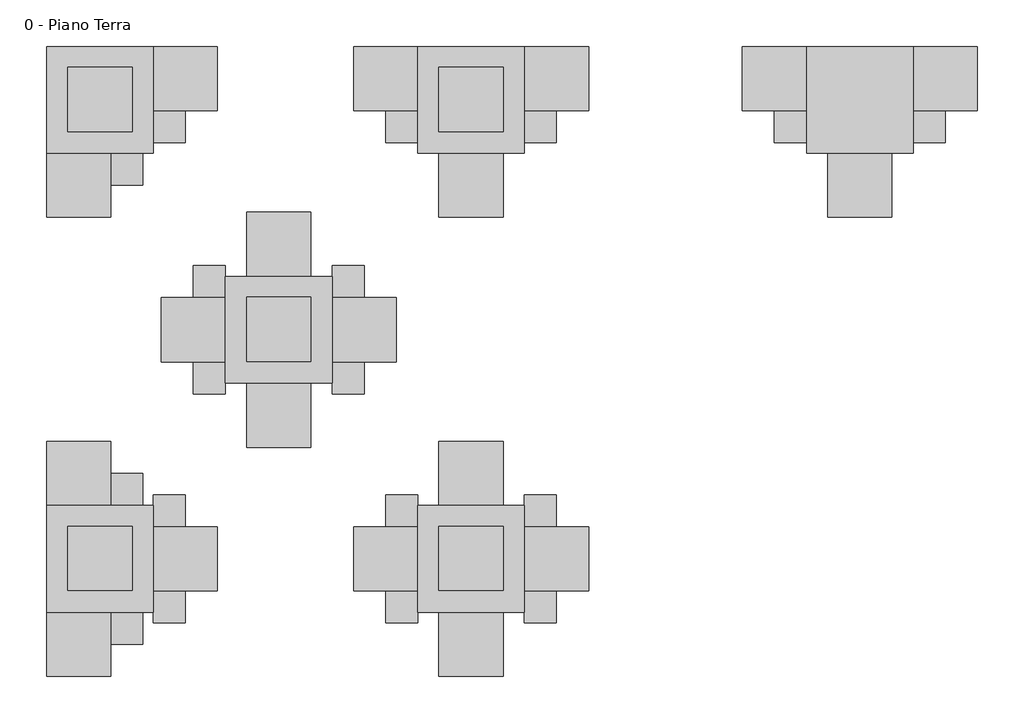
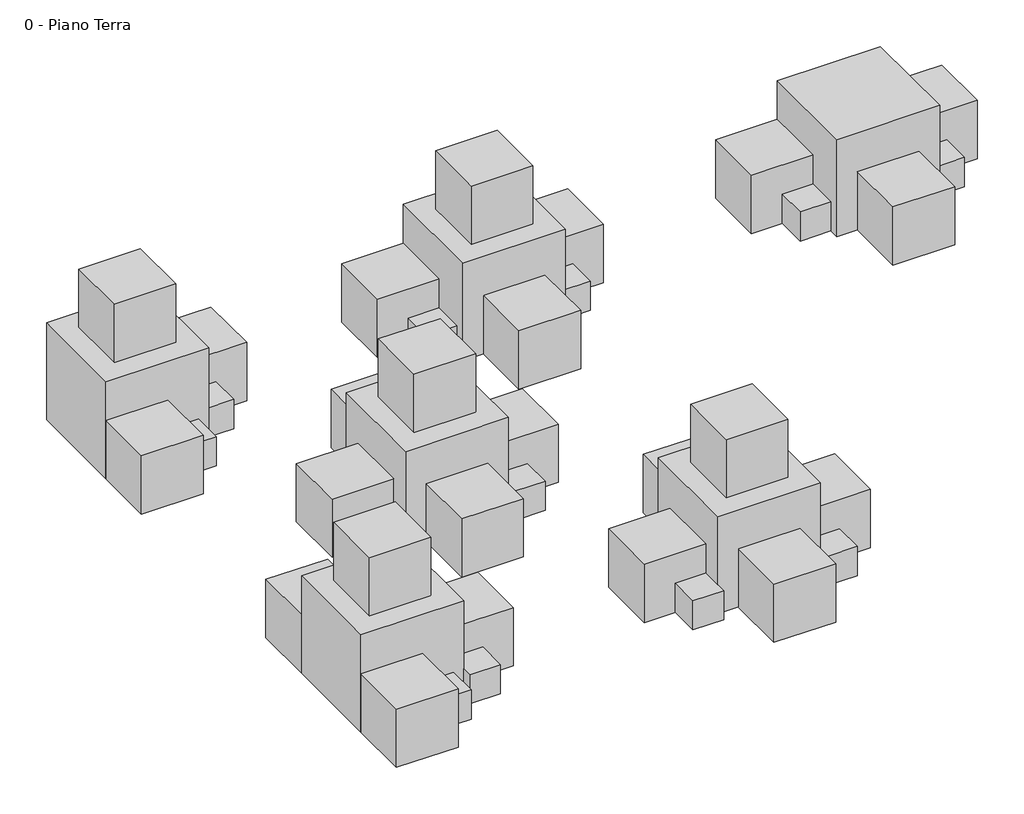
# One storey: 48 proxies.
"""IFC4 building model written with IfcOpenShell, lengths in millimetres."""

import ifcopenshell
import ifcopenshell.guid

model = None  # the IFC model being written
_history = None  # IfcOwnerHistory: only IFC2X3 demands one
_inside = {}  # id of a spatial element -> (the spatial element, [elements in it])
_under = {}  # id of a project, library or spatial element -> (it, [spatial elements below it])
_declared = {}  # id of a project -> (the project, [libraries it declares])
_typed = {}  # id of a type object -> (the type object, [elements of that type])
_made_of = {}  # id of a material, layer set ... -> (it, [elements and type objects made of it])


def new_model(schema):
    """Start an empty IFC model of exactly this schema.

    Asked for "IFC4X3", IfcOpenShell would pick the latest addendum, in which some entities
    have other attributes; the version numbers below select the first issue.
    IFC2X3 requires an IfcOwnerHistory on every rooted entity: one is made here for all.
    """
    global model, _history
    if schema == "IFC4X3":
        model = ifcopenshell.file(schema_version=(4, 3, 0, 0))
    else:
        model = ifcopenshell.file(schema=schema)
    _inside.clear()
    _under.clear()
    _declared.clear()
    _typed.clear()
    _made_of.clear()
    _history = None
    if model.schema == "IFC2X3":
        org = make("IfcOrganization", Name="unknown")
        user = make(
            "IfcPersonAndOrganization",
            ThePerson=make("IfcPerson", FamilyName="unknown"),
            TheOrganization=org,
        )
        app = make(
            "IfcApplication",
            ApplicationDeveloper=org,
            Version="unknown",
            ApplicationFullName="unknown",
            ApplicationIdentifier="unknown",
        )
        _history = make(
            "IfcOwnerHistory",
            OwningUser=user,
            OwningApplication=app,
            ChangeAction="ADDED",
            CreationDate=0,
        )
    return model


def make(cls, **values):
    """One entity of the class cls with the attributes given. An attribute that is None is left unset."""
    return model.create_entity(
        cls, **{name: value for name, value in values.items() if value is not None}
    )


def rooted(cls, **values):
    """An entity with a GlobalId (a new one), such as an element, a storey or a relation."""
    return make(cls, GlobalId=ifcopenshell.guid.new(), OwnerHistory=_history, **values)


def si_unit(unit_type, name, prefix=None):
    """IfcSIUnit, for example si_unit("LENGTHUNIT", "METRE", prefix="MILLI")."""
    return make("IfcSIUnit", UnitType=unit_type, Prefix=prefix, Name=name)


def assignment(units):
    """IfcUnitAssignment: the units of a project."""
    return None if units is None else make("IfcUnitAssignment", Units=units)


def point(xyz):
    """IfcCartesianPoint."""
    return None if xyz is None else make("IfcCartesianPoint", Coordinates=xyz)


def direction(xyz):
    """IfcDirection."""
    return None if xyz is None else make("IfcDirection", DirectionRatios=xyz)


def frame(location, z_axis=None, x_axis=None):
    """IfcAxis2Placement3D, a coordinate frame: its origin and axes. An axis left out is left unset."""
    return make(
        "IfcAxis2Placement3D",
        Location=point(location),
        Axis=direction(z_axis),
        RefDirection=direction(x_axis),
    )


def origin():
    """The frame at (0, 0, 0) with its axes left unset."""
    return frame((0.0, 0.0, 0.0))


def origin_with_axes():
    """The frame at (0, 0, 0) with the z axis (0, 0, 1) and the x axis (1, 0, 0) written out."""
    return frame((0.0, 0.0, 0.0), z_axis=(0.0, 0.0, 1.0), x_axis=(1.0, 0.0, 0.0))


def place(relative_to, where):
    """IfcLocalPlacement: puts the frame where relative to a parent placement (None: the world)."""
    return make(
        "IfcLocalPlacement", PlacementRelTo=relative_to, RelativePlacement=where
    )


def context(
    kind, dimensions, precision=None, world=None, true_north=None, identifier=None
):
    """IfcGeometricRepresentationContext, for example the 3D "Model" context."""
    return make(
        "IfcGeometricRepresentationContext",
        ContextIdentifier=identifier,
        ContextType=kind,
        CoordinateSpaceDimension=dimensions,
        Precision=precision,
        WorldCoordinateSystem=world,
        TrueNorth=true_north,
    )


def project(units=None, contexts=None):
    """IfcProject with its units and contexts."""
    return rooted(
        "IfcProject",
        Name="project",
        RepresentationContexts=contexts,
        UnitsInContext=assignment(units),
    )


def spatial(cls, under=None, at=None, **own):
    """A site, building, storey or space (cls), placed at a placement, below another one or the project."""
    s = rooted(cls, ObjectPlacement=at, **own)
    if under is not None:
        _under.setdefault(under.id(), (under, []))[1].append(s)
    return s


def polyline(points):
    """IfcPolyline through the points."""
    return make("IfcPolyline", Points=[point(p) for p in points])


def outline(outer, holes=None, kind="AREA"):
    """IfcArbitraryClosedProfileDef: a profile drawn as a closed curve; with holes, ...WithVoids."""
    if holes is None:
        return make("IfcArbitraryClosedProfileDef", ProfileType=kind, OuterCurve=outer)
    return make(
        "IfcArbitraryProfileDefWithVoids",
        ProfileType=kind,
        OuterCurve=outer,
        InnerCurves=holes,
    )


def extrude(swept, where, along, depth):
    """IfcExtrudedAreaSolid: the profile swept, set in the frame where, extruded along a direction by depth."""
    return make(
        "IfcExtrudedAreaSolid",
        SweptArea=swept,
        Position=where,
        ExtrudedDirection=direction(along),
        Depth=depth,
    )


def shape(context_of_items, identifier, shape_type, items):
    """IfcShapeRepresentation: the items that make up one representation, for example the "Body"."""
    return make(
        "IfcShapeRepresentation",
        ContextOfItems=context_of_items,
        RepresentationIdentifier=identifier,
        RepresentationType=shape_type,
        Items=items,
    )


def source(mapping_origin, context_of_items, identifier, shape_type, items):
    """IfcRepresentationMap: a shape defined once, which mapped items show again and again."""
    return make(
        "IfcRepresentationMap",
        MappingOrigin=mapping_origin,
        MappedRepresentation=shape(context_of_items, identifier, shape_type, items),
    )


def transform(
    local_origin,
    x_axis=None,
    y_axis=None,
    z_axis=None,
    scale=None,
    scale2=None,
    scale3=None,
    uniform=True,
):
    """IfcCartesianTransformationOperator3D, or its non-uniform kind. x_axis, y_axis, z_axis: its Axis1, 2, 3."""
    if uniform:
        return make(
            "IfcCartesianTransformationOperator3D",
            Axis1=direction(x_axis),
            Axis2=direction(y_axis),
            LocalOrigin=point(local_origin),
            Scale=scale,
            Axis3=direction(z_axis),
        )
    return make(
        "IfcCartesianTransformationOperator3DnonUniform",
        Axis1=direction(x_axis),
        Axis2=direction(y_axis),
        LocalOrigin=point(local_origin),
        Scale=scale,
        Axis3=direction(z_axis),
        Scale2=scale2,
        Scale3=scale3,
    )


def mapped(mapping_source, mapping_target):
    """IfcMappedItem: shows the shape of a source again, moved by a transform."""
    return make(
        "IfcMappedItem", MappingSource=mapping_source, MappingTarget=mapping_target
    )


def made_of(thing, what):
    """Note that an element or type object is made of a material, layer set ...; save() writes the relation."""
    if what is not None:
        _made_of.setdefault(what.id(), (what, []))[1].append(thing)
    return thing


def element(
    cls,
    number,
    at=None,
    inside=None,
    cuts=None,
    type_object=None,
    material=None,
    context=None,
    identifier="Body",
    shape_type=None,
    held_by="IfcProductDefinitionShape",
    body=None,
    shapes=None,
    **own,
):
    """One element of the class cls, such as IfcWall. Its Tag is "e" and its number.

    at: its placement. inside: the storey or other place that contains it. cuts: it is an
    opening in that element (IfcRelVoidsElement). A single representation is given by context,
    identifier, shape_type and body (its items); several are given by shapes. held_by: the class
    of the entity that holds the representations. save() writes the other relations.
    """
    e = rooted(cls, Tag="e%d" % number, ObjectPlacement=at, **own)
    if body is not None:
        shapes = [shape(context, identifier, shape_type, body)]
    if shapes is not None:
        e.Representation = make(held_by, Representations=shapes)
    if inside is not None:
        _inside.setdefault(inside.id(), (inside, []))[1].append(e)
    if cuts is not None:
        rooted(
            "IfcRelVoidsElement", RelatingBuildingElement=cuts, RelatedOpeningElement=e
        )
    if type_object is not None:
        _typed.setdefault(type_object.id(), (type_object, []))[1].append(e)
    return made_of(e, material)


def aggregate(whole, parts):
    """IfcRelAggregates: a whole, such as a stair, and the parts it consists of."""
    return rooted("IfcRelAggregates", RelatingObject=whole, RelatedObjects=parts)


def save(model, path):
    """Write the relations noted so far, then the file.

    IfcRelAggregates (storeys below a building ...), IfcRelContainedInSpatialStructure (elements
    in a storey), IfcRelDefinesByType, IfcRelAssociatesMaterial and IfcRelDeclares: one each for
    every whole, place, type object, material and project.
    """
    for whole, parts in _under.values():
        aggregate(whole, parts)
    for where, things in _inside.values():
        rooted(
            "IfcRelContainedInSpatialStructure",
            RelatedElements=things,
            RelatingStructure=where,
        )
    for kind, things in _typed.values():
        rooted("IfcRelDefinesByType", RelatedObjects=things, RelatingType=kind)
    for what, things in _made_of.values():
        rooted("IfcRelAssociatesMaterial", RelatedObjects=things, RelatingMaterial=what)
    for by, libraries in _declared.values():
        rooted("IfcRelDeclares", RelatingContext=by, RelatedDefinitions=libraries)
    model.write(path)


def famiglia1_15_x_15_x15_9c98a160(model_context):
    return source(origin(), model_context, "Body", "SweptSolid", [
        extrude(outline(polyline([(0.0, 0.0), (0.0, 150.0), (150.0, 150.0), (150.0, 0.0), (0.0, 0.0)])), origin_with_axes(), (0.0, 0.0, 1.0), 150.0),
    ])


def famiglia1_15_x_15_x15_7b146f4c(model_context):
    return source(origin(), model_context, "Body", "SweptSolid", [
        extrude(outline(polyline([(0.0, 0.0), (150.0, 0.0), (150.0, -150.0), (0.0, -150.0), (0.0, 0.0)])), origin_with_axes(), (0.0, 0.0, 1.0), 150.0),
    ])


def famiglia1_30_x_30_x_30_e4b0ac10(model_context):
    return source(origin(), model_context, "Body", "SweptSolid", [
        extrude(outline(polyline([(0.0, 0.0), (0.0, 300.0), (300.0, 300.0), (300.0, 0.0), (0.0, 0.0)])), origin_with_axes(), (0.0, 0.0, 1.0), 300.0),
    ])


def famiglia1_30_x_30_x_30_e7704c1c(model_context):
    return source(origin(), model_context, "Body", "SweptSolid", [
        extrude(outline(polyline([(0.0, 0.0), (300.0, 0.0), (300.0, -300.0), (0.0, -300.0), (0.0, 0.0)])), origin_with_axes(), (0.0, 0.0, 1.0), 300.0),
    ])


def famiglia1_50_x_50_x_50_550e6623(model_context):
    return source(origin(), model_context, "Body", "SweptSolid", [
        extrude(outline(polyline([(0.0, 0.0), (0.0, 500.0), (500.0, 500.0), (500.0, 0.0), (0.0, 0.0)])), origin_with_axes(), (0.0, 0.0, 1.0), 500.0),
    ])


model = new_model("IFC4")

# Units and contexts
model_context = context("Model", 3, world=origin())
ifc_project = project(units=[si_unit("LENGTHUNIT", "METRE", prefix="MILLI")], contexts=[model_context])

# Site, building, storey
site = spatial("IfcSite", under=ifc_project)
building = spatial("IfcBuilding", under=site)
storey = spatial("IfcBuildingStorey", under=building, Name="0 - Piano Terra", Elevation=0.0)

# Proxies
placement = place(None, origin())
famiglia1_15_x_15_x15_shape = famiglia1_15_x_15_x15_9c98a160(model_context)
element("IfcBuildingElementProxy", 1, Name="Famiglia1 : 15 x 15 x15", ObjectType="Famiglia1 : 15 x 15 x15", at=placement, inside=storey, context=model_context, shape_type="MappedRepresentation", body=[
    mapped(famiglia1_15_x_15_x15_shape, transform((-12285.7674934, 5385.0288384, 0.0), x_axis=(1.0, 0.0, 0.0), y_axis=(0.0, 1.0, 0.0), z_axis=(0.0, 0.0, 1.0))),
])
element("IfcBuildingElementProxy", 2, Name="Famiglia1 : 15 x 15 x15", ObjectType="Famiglia1 : 15 x 15 x15", at=placement, inside=storey, context=model_context, shape_type="MappedRepresentation", body=[
    mapped(famiglia1_15_x_15_x15_shape, transform((-10999.193659, 5735.0288384, 0.0), x_axis=(0.0, -1.0, 0.0), y_axis=(1.0, 0.0, 0.0), z_axis=(0.0, 0.0, 1.0))),
])
element("IfcBuildingElementProxy", 3, Name="Famiglia1 : 15 x 15 x15", ObjectType="Famiglia1 : 15 x 15 x15", at=placement, inside=storey, context=model_context, shape_type="MappedRepresentation", body=[
    mapped(famiglia1_15_x_15_x15_shape, transform((-9179.0926711, 5735.0288384, 0.0), x_axis=(0.0, -1.0, 0.0), y_axis=(1.0, 0.0, 0.0), z_axis=(0.0, 0.0, 1.0))),
])
element("IfcBuildingElementProxy", 4, Name="Famiglia1 : 15 x 15 x15", ObjectType="Famiglia1 : 15 x 15 x15", at=placement, inside=storey, context=model_context, shape_type="MappedRepresentation", body=[
    mapped(famiglia1_15_x_15_x15_shape, transform((-10999.193659, 3486.0022277, 0.0), x_axis=(0.0, -1.0, 0.0), y_axis=(1.0, 0.0, 0.0), z_axis=(0.0, 0.0, 1.0))),
])
element("IfcBuildingElementProxy", 5, Name="Famiglia1 : 15 x 15 x15", ObjectType="Famiglia1 : 15 x 15 x15", at=placement, inside=storey, context=model_context, shape_type="MappedRepresentation", body=[
    mapped(famiglia1_15_x_15_x15_shape, transform((-10999.193659, 3936.0022277, 0.0), x_axis=(0.0, -1.0, 0.0), y_axis=(1.0, 0.0, 0.0), z_axis=(0.0, 0.0, 1.0))),
])
element("IfcBuildingElementProxy", 6, Name="Famiglia1 : 15 x 15 x15", ObjectType="Famiglia1 : 15 x 15 x15", at=placement, inside=storey, context=model_context, shape_type="MappedRepresentation", body=[
    mapped(famiglia1_15_x_15_x15_shape, transform((-12285.7674934, 3236.0022277, 0.0), x_axis=(1.0, 0.0, 0.0), y_axis=(0.0, 1.0, 0.0), z_axis=(0.0, 0.0, 1.0))),
])
element("IfcBuildingElementProxy", 7, Name="Famiglia1 : 15 x 15 x15", ObjectType="Famiglia1 : 15 x 15 x15", at=placement, inside=storey, context=model_context, shape_type="MappedRepresentation", body=[
    mapped(famiglia1_15_x_15_x15_shape, transform((-11899.0963125, 4558.4644481, 0.0), x_axis=(0.0, -1.0, 0.0), y_axis=(1.0, 0.0, 0.0), z_axis=(0.0, 0.0, 1.0))),
])
element("IfcBuildingElementProxy", 8, Name="Famiglia1 : 15 x 15 x15", ObjectType="Famiglia1 : 15 x 15 x15", at=placement, inside=storey, context=model_context, shape_type="MappedRepresentation", body=[
    mapped(famiglia1_15_x_15_x15_shape, transform((-11899.0963125, 5008.4644481, 0.0), x_axis=(0.0, -1.0, 0.0), y_axis=(1.0, 0.0, 0.0), z_axis=(0.0, 0.0, 1.0))),
])
famiglia1_15_x_15_x15_2_shape = famiglia1_15_x_15_x15_7b146f4c(model_context)
element("IfcBuildingElementProxy", 9, Name="Famiglia1 : 15 x 15 x15", ObjectType="Famiglia1 : 15 x 15 x15", at=placement, inside=storey, context=model_context, shape_type="MappedRepresentation", body=[
    mapped(famiglia1_15_x_15_x15_2_shape, transform((-11935.7674934, 5735.0288384, 0.0), x_axis=(0.0, -1.0, 0.0), y_axis=(1.0, 0.0, 0.0), z_axis=(0.0, 0.0, 1.0))),
])
element("IfcBuildingElementProxy", 10, Name="Famiglia1 : 15 x 15 x15", ObjectType="Famiglia1 : 15 x 15 x15", at=placement, inside=storey, context=model_context, shape_type="MappedRepresentation", body=[
    mapped(famiglia1_15_x_15_x15_2_shape, transform((-10199.193659, 5735.0288384, 0.0), x_axis=(0.0, -1.0, 0.0), y_axis=(1.0, 0.0, 0.0), z_axis=(0.0, 0.0, 1.0))),
])
element("IfcBuildingElementProxy", 11, Name="Famiglia1 : 15 x 15 x15", ObjectType="Famiglia1 : 15 x 15 x15", at=placement, inside=storey, context=model_context, shape_type="MappedRepresentation", body=[
    mapped(famiglia1_15_x_15_x15_2_shape, transform((-8379.0926711, 5735.0288384, 0.0), x_axis=(0.0, -1.0, 0.0), y_axis=(1.0, 0.0, 0.0), z_axis=(0.0, 0.0, 1.0))),
])
element("IfcBuildingElementProxy", 12, Name="Famiglia1 : 15 x 15 x15", ObjectType="Famiglia1 : 15 x 15 x15", at=placement, inside=storey, context=model_context, shape_type="MappedRepresentation", body=[
    mapped(famiglia1_15_x_15_x15_2_shape, transform((-10199.193659, 3486.0022277, 0.0), x_axis=(0.0, -1.0, 0.0), y_axis=(1.0, 0.0, 0.0), z_axis=(0.0, 0.0, 1.0))),
])
element("IfcBuildingElementProxy", 13, Name="Famiglia1 : 15 x 15 x15", ObjectType="Famiglia1 : 15 x 15 x15", at=placement, inside=storey, context=model_context, shape_type="MappedRepresentation", body=[
    mapped(famiglia1_15_x_15_x15_2_shape, transform((-10199.193659, 3936.0022277, 0.0), x_axis=(0.0, -1.0, 0.0), y_axis=(1.0, 0.0, 0.0), z_axis=(0.0, 0.0, 1.0))),
])
element("IfcBuildingElementProxy", 14, Name="Famiglia1 : 15 x 15 x15", ObjectType="Famiglia1 : 15 x 15 x15", at=placement, inside=storey, context=model_context, shape_type="MappedRepresentation", body=[
    mapped(famiglia1_15_x_15_x15_2_shape, transform((-11935.7674934, 3486.0022277, 0.0), x_axis=(0.0, -1.0, 0.0), y_axis=(1.0, 0.0, 0.0), z_axis=(0.0, 0.0, 1.0))),
])
element("IfcBuildingElementProxy", 15, Name="Famiglia1 : 15 x 15 x15", ObjectType="Famiglia1 : 15 x 15 x15", at=placement, inside=storey, context=model_context, shape_type="MappedRepresentation", body=[
    mapped(famiglia1_15_x_15_x15_2_shape, transform((-11935.7674934, 3936.0022277, 0.0), x_axis=(0.0, -1.0, 0.0), y_axis=(1.0, 0.0, 0.0), z_axis=(0.0, 0.0, 1.0))),
])
element("IfcBuildingElementProxy", 16, Name="Famiglia1 : 15 x 15 x15", ObjectType="Famiglia1 : 15 x 15 x15", at=placement, inside=storey, context=model_context, shape_type="MappedRepresentation", body=[
    mapped(famiglia1_15_x_15_x15_2_shape, transform((-12285.7674934, 4036.0022277, 0.0), x_axis=(1.0, 0.0, 0.0), y_axis=(0.0, 1.0, 0.0), z_axis=(0.0, 0.0, 1.0))),
])
element("IfcBuildingElementProxy", 17, Name="Famiglia1 : 15 x 15 x15", ObjectType="Famiglia1 : 15 x 15 x15", at=placement, inside=storey, context=model_context, shape_type="MappedRepresentation", body=[
    mapped(famiglia1_15_x_15_x15_2_shape, transform((-11099.0963125, 4558.4644481, 0.0), x_axis=(0.0, -1.0, 0.0), y_axis=(1.0, 0.0, 0.0), z_axis=(0.0, 0.0, 1.0))),
])
element("IfcBuildingElementProxy", 18, Name="Famiglia1 : 15 x 15 x15", ObjectType="Famiglia1 : 15 x 15 x15", at=placement, inside=storey, context=model_context, shape_type="MappedRepresentation", body=[
    mapped(famiglia1_15_x_15_x15_2_shape, transform((-11099.0963125, 5008.4644481, 0.0), x_axis=(0.0, -1.0, 0.0), y_axis=(1.0, 0.0, 0.0), z_axis=(0.0, 0.0, 1.0))),
])
famiglia1_30_x_30_x_30_shape = famiglia1_30_x_30_x_30_e4b0ac10(model_context)
element("IfcBuildingElementProxy", 19, Name="Famiglia1 : 30 x 30 x 30", ObjectType="Famiglia1 : 30 x 30 x 30", at=placement, inside=storey, context=model_context, shape_type="MappedRepresentation", body=[
    mapped(famiglia1_30_x_30_x_30_shape, transform((-12585.7674934, 5235.0288384, 0.0), x_axis=(1.0, 0.0, 0.0), y_axis=(0.0, 1.0, 0.0), z_axis=(0.0, 0.0, 1.0))),
])
element("IfcBuildingElementProxy", 20, Name="Famiglia1 : 30 x 30 x 30", ObjectType="Famiglia1 : 30 x 30 x 30", at=placement, inside=storey, context=model_context, shape_type="MappedRepresentation", body=[
    mapped(famiglia1_30_x_30_x_30_shape, transform((-10749.193659, 5235.0288384, 0.0), x_axis=(1.0, 0.0, 0.0), y_axis=(0.0, 1.0, 0.0), z_axis=(0.0, 0.0, 1.0))),
])
element("IfcBuildingElementProxy", 21, Name="Famiglia1 : 30 x 30 x 30", ObjectType="Famiglia1 : 30 x 30 x 30", at=placement, inside=storey, context=model_context, shape_type="MappedRepresentation", body=[
    mapped(famiglia1_30_x_30_x_30_shape, transform((-11149.193659, 6035.0288384, 0.0), x_axis=(0.0, -1.0, 0.0), y_axis=(1.0, 0.0, 0.0), z_axis=(0.0, 0.0, 1.0))),
])
element("IfcBuildingElementProxy", 22, Name="Famiglia1 : 30 x 30 x 30", ObjectType="Famiglia1 : 30 x 30 x 30", at=placement, inside=storey, context=model_context, shape_type="MappedRepresentation", body=[
    mapped(famiglia1_30_x_30_x_30_shape, transform((-8929.0926711, 5235.0288384, 0.0), x_axis=(1.0, 0.0, 0.0), y_axis=(0.0, 1.0, 0.0), z_axis=(0.0, 0.0, 1.0))),
])
element("IfcBuildingElementProxy", 23, Name="Famiglia1 : 30 x 30 x 30", ObjectType="Famiglia1 : 30 x 30 x 30", at=placement, inside=storey, context=model_context, shape_type="MappedRepresentation", body=[
    mapped(famiglia1_30_x_30_x_30_shape, transform((-9329.0926711, 6035.0288384, 0.0), x_axis=(0.0, -1.0, 0.0), y_axis=(1.0, 0.0, 0.0), z_axis=(0.0, 0.0, 1.0))),
])
element("IfcBuildingElementProxy", 24, Name="Famiglia1 : 30 x 30 x 30", ObjectType="Famiglia1 : 30 x 30 x 30", at=placement, inside=storey, context=model_context, shape_type="MappedRepresentation", body=[
    mapped(famiglia1_30_x_30_x_30_shape, transform((-12485.7674934, 5637.1497581, 500.0), x_axis=(1.0, 0.0, 0.0), y_axis=(0.0, 1.0, 0.0), z_axis=(0.0, 0.0, 1.0))),
])
element("IfcBuildingElementProxy", 25, Name="Famiglia1 : 30 x 30 x 30", ObjectType="Famiglia1 : 30 x 30 x 30", at=placement, inside=storey, context=model_context, shape_type="MappedRepresentation", body=[
    mapped(famiglia1_30_x_30_x_30_shape, transform((-10749.193659, 5637.1497581, 500.0), x_axis=(1.0, 0.0, 0.0), y_axis=(0.0, 1.0, 0.0), z_axis=(0.0, 0.0, 1.0))),
])
element("IfcBuildingElementProxy", 26, Name="Famiglia1 : 30 x 30 x 30", ObjectType="Famiglia1 : 30 x 30 x 30", at=placement, inside=storey, context=model_context, shape_type="MappedRepresentation", body=[
    mapped(famiglia1_30_x_30_x_30_shape, transform((-10749.193659, 3086.0022277, 0.0), x_axis=(1.0, 0.0, 0.0), y_axis=(0.0, 1.0, 0.0), z_axis=(0.0, 0.0, 1.0))),
])
element("IfcBuildingElementProxy", 27, Name="Famiglia1 : 30 x 30 x 30", ObjectType="Famiglia1 : 30 x 30 x 30", at=placement, inside=storey, context=model_context, shape_type="MappedRepresentation", body=[
    mapped(famiglia1_30_x_30_x_30_shape, transform((-11149.193659, 3786.0022277, 0.0), x_axis=(0.0, -1.0, 0.0), y_axis=(1.0, 0.0, 0.0), z_axis=(0.0, 0.0, 1.0))),
])
element("IfcBuildingElementProxy", 28, Name="Famiglia1 : 30 x 30 x 30", ObjectType="Famiglia1 : 30 x 30 x 30", at=placement, inside=storey, context=model_context, shape_type="MappedRepresentation", body=[
    mapped(famiglia1_30_x_30_x_30_shape, transform((-10749.193659, 3886.0022277, 0.0), x_axis=(1.0, 0.0, 0.0), y_axis=(0.0, 1.0, 0.0), z_axis=(0.0, 0.0, 1.0))),
])
element("IfcBuildingElementProxy", 29, Name="Famiglia1 : 30 x 30 x 30", ObjectType="Famiglia1 : 30 x 30 x 30", at=placement, inside=storey, context=model_context, shape_type="MappedRepresentation", body=[
    mapped(famiglia1_30_x_30_x_30_shape, transform((-10749.193659, 3488.1231474, 500.0), x_axis=(1.0, 0.0, 0.0), y_axis=(0.0, 1.0, 0.0), z_axis=(0.0, 0.0, 1.0))),
])
element("IfcBuildingElementProxy", 30, Name="Famiglia1 : 30 x 30 x 30", ObjectType="Famiglia1 : 30 x 30 x 30", at=placement, inside=storey, context=model_context, shape_type="MappedRepresentation", body=[
    mapped(famiglia1_30_x_30_x_30_shape, transform((-12485.7674934, 3488.1231474, 500.0), x_axis=(1.0, 0.0, 0.0), y_axis=(0.0, 1.0, 0.0), z_axis=(0.0, 0.0, 1.0))),
])
element("IfcBuildingElementProxy", 31, Name="Famiglia1 : 30 x 30 x 30", ObjectType="Famiglia1 : 30 x 30 x 30", at=placement, inside=storey, context=model_context, shape_type="MappedRepresentation", body=[
    mapped(famiglia1_30_x_30_x_30_shape, transform((-12585.7674934, 3086.0022277, 0.0), x_axis=(1.0, 0.0, 0.0), y_axis=(0.0, 1.0, 0.0), z_axis=(0.0, 0.0, 1.0))),
])
element("IfcBuildingElementProxy", 32, Name="Famiglia1 : 30 x 30 x 30", ObjectType="Famiglia1 : 30 x 30 x 30", at=placement, inside=storey, context=model_context, shape_type="MappedRepresentation", body=[
    mapped(famiglia1_30_x_30_x_30_shape, transform((-11649.0963125, 4158.4644481, 0.0), x_axis=(1.0, 0.0, 0.0), y_axis=(0.0, 1.0, 0.0), z_axis=(0.0, 0.0, 1.0))),
])
element("IfcBuildingElementProxy", 33, Name="Famiglia1 : 30 x 30 x 30", ObjectType="Famiglia1 : 30 x 30 x 30", at=placement, inside=storey, context=model_context, shape_type="MappedRepresentation", body=[
    mapped(famiglia1_30_x_30_x_30_shape, transform((-12049.0963125, 4858.4644481, 0.0), x_axis=(0.0, -1.0, 0.0), y_axis=(1.0, 0.0, 0.0), z_axis=(0.0, 0.0, 1.0))),
])
element("IfcBuildingElementProxy", 34, Name="Famiglia1 : 30 x 30 x 30", ObjectType="Famiglia1 : 30 x 30 x 30", at=placement, inside=storey, context=model_context, shape_type="MappedRepresentation", body=[
    mapped(famiglia1_30_x_30_x_30_shape, transform((-11649.0963125, 4958.4644481, 0.0), x_axis=(1.0, 0.0, 0.0), y_axis=(0.0, 1.0, 0.0), z_axis=(0.0, 0.0, 1.0))),
])
element("IfcBuildingElementProxy", 35, Name="Famiglia1 : 30 x 30 x 30", ObjectType="Famiglia1 : 30 x 30 x 30", at=placement, inside=storey, context=model_context, shape_type="MappedRepresentation", body=[
    mapped(famiglia1_30_x_30_x_30_shape, transform((-11649.0963125, 4560.5853678, 500.0), x_axis=(1.0, 0.0, 0.0), y_axis=(0.0, 1.0, 0.0), z_axis=(0.0, 0.0, 1.0))),
])
famiglia1_30_x_30_x_30_2_shape = famiglia1_30_x_30_x_30_e7704c1c(model_context)
element("IfcBuildingElementProxy", 36, Name="Famiglia1 : 30 x 30 x 30", ObjectType="Famiglia1 : 30 x 30 x 30", at=placement, inside=storey, context=model_context, shape_type="MappedRepresentation", body=[
    mapped(famiglia1_30_x_30_x_30_2_shape, transform((-11785.7674934, 6035.0288384, 0.0), x_axis=(0.0, -1.0, 0.0), y_axis=(1.0, 0.0, 0.0), z_axis=(0.0, 0.0, 1.0))),
])
element("IfcBuildingElementProxy", 37, Name="Famiglia1 : 30 x 30 x 30", ObjectType="Famiglia1 : 30 x 30 x 30", at=placement, inside=storey, context=model_context, shape_type="MappedRepresentation", body=[
    mapped(famiglia1_30_x_30_x_30_2_shape, transform((-10049.193659, 6035.0288384, 0.0), x_axis=(0.0, -1.0, 0.0), y_axis=(1.0, 0.0, 0.0), z_axis=(0.0, 0.0, 1.0))),
])
element("IfcBuildingElementProxy", 38, Name="Famiglia1 : 30 x 30 x 30", ObjectType="Famiglia1 : 30 x 30 x 30", at=placement, inside=storey, context=model_context, shape_type="MappedRepresentation", body=[
    mapped(famiglia1_30_x_30_x_30_2_shape, transform((-8229.0926711, 6035.0288384, 0.0), x_axis=(0.0, -1.0, 0.0), y_axis=(1.0, 0.0, 0.0), z_axis=(0.0, 0.0, 1.0))),
])
element("IfcBuildingElementProxy", 39, Name="Famiglia1 : 30 x 30 x 30", ObjectType="Famiglia1 : 30 x 30 x 30", at=placement, inside=storey, context=model_context, shape_type="MappedRepresentation", body=[
    mapped(famiglia1_30_x_30_x_30_2_shape, transform((-10049.193659, 3786.0022277, 0.0), x_axis=(0.0, -1.0, 0.0), y_axis=(1.0, 0.0, 0.0), z_axis=(0.0, 0.0, 1.0))),
])
element("IfcBuildingElementProxy", 40, Name="Famiglia1 : 30 x 30 x 30", ObjectType="Famiglia1 : 30 x 30 x 30", at=placement, inside=storey, context=model_context, shape_type="MappedRepresentation", body=[
    mapped(famiglia1_30_x_30_x_30_2_shape, transform((-11785.7674934, 3786.0022277, 0.0), x_axis=(0.0, -1.0, 0.0), y_axis=(1.0, 0.0, 0.0), z_axis=(0.0, 0.0, 1.0))),
])
element("IfcBuildingElementProxy", 41, Name="Famiglia1 : 30 x 30 x 30", ObjectType="Famiglia1 : 30 x 30 x 30", at=placement, inside=storey, context=model_context, shape_type="MappedRepresentation", body=[
    mapped(famiglia1_30_x_30_x_30_2_shape, transform((-12585.7674934, 4186.0022277, 0.0), x_axis=(1.0, 0.0, 0.0), y_axis=(0.0, 1.0, 0.0), z_axis=(0.0, 0.0, 1.0))),
])
element("IfcBuildingElementProxy", 42, Name="Famiglia1 : 30 x 30 x 30", ObjectType="Famiglia1 : 30 x 30 x 30", at=placement, inside=storey, context=model_context, shape_type="MappedRepresentation", body=[
    mapped(famiglia1_30_x_30_x_30_2_shape, transform((-10949.0963125, 4858.4644481, 0.0), x_axis=(0.0, -1.0, 0.0), y_axis=(1.0, 0.0, 0.0), z_axis=(0.0, 0.0, 1.0))),
])
famiglia1_50_x_50_x_50_shape = famiglia1_50_x_50_x_50_550e6623(model_context)
element("IfcBuildingElementProxy", 43, Name="Famiglia1 : 50 x 50 x 50", ObjectType="Famiglia1 : 50 x 50 x 50", at=placement, inside=storey, context=model_context, shape_type="MappedRepresentation", body=[
    mapped(famiglia1_50_x_50_x_50_shape, transform((-12585.7674934, 3386.0022277, 0.0), x_axis=(1.0, 0.0, 0.0), y_axis=(0.0, 1.0, 0.0), z_axis=(0.0, 0.0, 1.0))),
])
element("IfcBuildingElementProxy", 44, Name="Famiglia1 : 50 x 50 x 50", ObjectType="Famiglia1 : 50 x 50 x 50", at=placement, inside=storey, context=model_context, shape_type="MappedRepresentation", body=[
    mapped(famiglia1_50_x_50_x_50_shape, transform((-12585.7674934, 5535.0288384, 0.0), x_axis=(1.0, 0.0, 0.0), y_axis=(0.0, 1.0, 0.0), z_axis=(0.0, 0.0, 1.0))),
])
element("IfcBuildingElementProxy", 45, Name="Famiglia1 : 50 x 50 x 50", ObjectType="Famiglia1 : 50 x 50 x 50", at=placement, inside=storey, context=model_context, shape_type="MappedRepresentation", body=[
    mapped(famiglia1_50_x_50_x_50_shape, transform((-10849.193659, 5535.0288384, 0.0), x_axis=(1.0, 0.0, 0.0), y_axis=(0.0, 1.0, 0.0), z_axis=(0.0, 0.0, 1.0))),
])
element("IfcBuildingElementProxy", 46, Name="Famiglia1 : 50 x 50 x 50", ObjectType="Famiglia1 : 50 x 50 x 50", at=placement, inside=storey, context=model_context, shape_type="MappedRepresentation", body=[
    mapped(famiglia1_50_x_50_x_50_shape, transform((-9029.0926711, 5535.0288384, 0.0), x_axis=(1.0, 0.0, 0.0), y_axis=(0.0, 1.0, 0.0), z_axis=(0.0, 0.0, 1.0))),
])
element("IfcBuildingElementProxy", 47, Name="Famiglia1 : 50 x 50 x 50", ObjectType="Famiglia1 : 50 x 50 x 50", at=placement, inside=storey, context=model_context, shape_type="MappedRepresentation", body=[
    mapped(famiglia1_50_x_50_x_50_shape, transform((-10849.193659, 3386.0022277, 0.0), x_axis=(1.0, 0.0, 0.0), y_axis=(0.0, 1.0, 0.0), z_axis=(0.0, 0.0, 1.0))),
])
element("IfcBuildingElementProxy", 48, Name="Famiglia1 : 50 x 50 x 50", ObjectType="Famiglia1 : 50 x 50 x 50", at=placement, inside=storey, context=model_context, shape_type="MappedRepresentation", body=[
    mapped(famiglia1_50_x_50_x_50_shape, transform((-11749.0963125, 4458.4644481, 0.0), x_axis=(1.0, 0.0, 0.0), y_axis=(0.0, 1.0, 0.0), z_axis=(0.0, 0.0, 1.0))),
])

save(model, "model.ifc")
